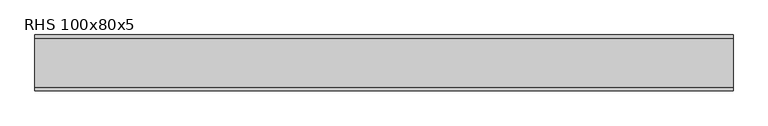
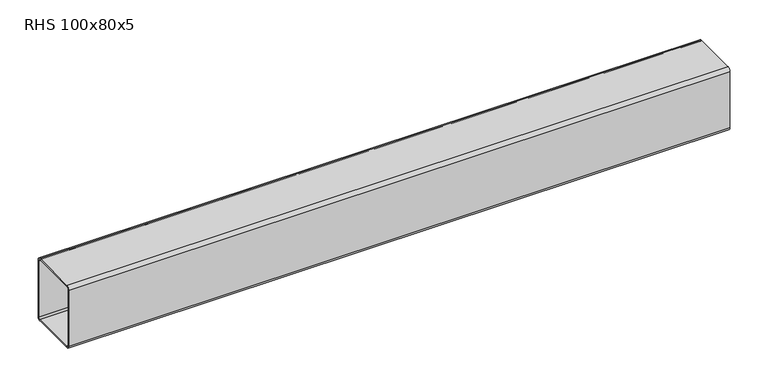
"""IFC4 building model written with IfcOpenShell, lengths in millimetres: beam geometry, RHS 100x80x5."""

import ifcopenshell
import ifcopenshell.guid

model = None  # the IFC model being written
_history = None  # IfcOwnerHistory: only IFC2X3 demands one
_inside = {}  # id of a spatial element -> (the spatial element, [elements in it])
_under = {}  # id of a project, library or spatial element -> (it, [spatial elements below it])
_declared = {}  # id of a project -> (the project, [libraries it declares])
_typed = {}  # id of a type object -> (the type object, [elements of that type])
_made_of = {}  # id of a material, layer set ... -> (it, [elements and type objects made of it])


def new_model(schema):
    """Start an empty IFC model of exactly this schema.

    Asked for "IFC4X3", IfcOpenShell would pick the latest addendum, in which some entities
    have other attributes; the version numbers below select the first issue.
    IFC2X3 requires an IfcOwnerHistory on every rooted entity: one is made here for all.
    """
    global model, _history
    if schema == "IFC4X3":
        model = ifcopenshell.file(schema_version=(4, 3, 0, 0))
    else:
        model = ifcopenshell.file(schema=schema)
    _inside.clear()
    _under.clear()
    _declared.clear()
    _typed.clear()
    _made_of.clear()
    _history = None
    if model.schema == "IFC2X3":
        org = make("IfcOrganization", Name="unknown")
        user = make(
            "IfcPersonAndOrganization",
            ThePerson=make("IfcPerson", FamilyName="unknown"),
            TheOrganization=org,
        )
        app = make(
            "IfcApplication",
            ApplicationDeveloper=org,
            Version="unknown",
            ApplicationFullName="unknown",
            ApplicationIdentifier="unknown",
        )
        _history = make(
            "IfcOwnerHistory",
            OwningUser=user,
            OwningApplication=app,
            ChangeAction="ADDED",
            CreationDate=0,
        )
    return model


def make(cls, **values):
    """One entity of the class cls with the attributes given. An attribute that is None is left unset."""
    return model.create_entity(
        cls, **{name: value for name, value in values.items() if value is not None}
    )


def rooted(cls, **values):
    """An entity with a GlobalId (a new one), such as an element, a storey or a relation."""
    return make(cls, GlobalId=ifcopenshell.guid.new(), OwnerHistory=_history, **values)


def si_unit(unit_type, name, prefix=None):
    """IfcSIUnit, for example si_unit("LENGTHUNIT", "METRE", prefix="MILLI")."""
    return make("IfcSIUnit", UnitType=unit_type, Prefix=prefix, Name=name)


def assignment(units):
    """IfcUnitAssignment: the units of a project."""
    return None if units is None else make("IfcUnitAssignment", Units=units)


def point(xyz):
    """IfcCartesianPoint."""
    return None if xyz is None else make("IfcCartesianPoint", Coordinates=xyz)


def direction(xyz):
    """IfcDirection."""
    return None if xyz is None else make("IfcDirection", DirectionRatios=xyz)


def frame(location, z_axis=None, x_axis=None):
    """IfcAxis2Placement3D, a coordinate frame: its origin and axes. An axis left out is left unset."""
    return make(
        "IfcAxis2Placement3D",
        Location=point(location),
        Axis=direction(z_axis),
        RefDirection=direction(x_axis),
    )


def frame_2d(location, x_axis=None):
    """IfcAxis2Placement2D, a coordinate frame in the plane: its origin and x axis."""
    return make(
        "IfcAxis2Placement2D", Location=point(location), RefDirection=direction(x_axis)
    )


def origin():
    """The frame at (0, 0, 0) with its axes left unset."""
    return frame((0.0, 0.0, 0.0))


def place(relative_to, where):
    """IfcLocalPlacement: puts the frame where relative to a parent placement (None: the world)."""
    return make(
        "IfcLocalPlacement", PlacementRelTo=relative_to, RelativePlacement=where
    )


def context(
    kind, dimensions, precision=None, world=None, true_north=None, identifier=None
):
    """IfcGeometricRepresentationContext, for example the 3D "Model" context."""
    return make(
        "IfcGeometricRepresentationContext",
        ContextIdentifier=identifier,
        ContextType=kind,
        CoordinateSpaceDimension=dimensions,
        Precision=precision,
        WorldCoordinateSystem=world,
        TrueNorth=true_north,
    )


def project(units=None, contexts=None):
    """IfcProject with its units and contexts."""
    return rooted(
        "IfcProject",
        Name="project",
        RepresentationContexts=contexts,
        UnitsInContext=assignment(units),
    )


def spatial(cls, under=None, at=None, **own):
    """A site, building, storey or space (cls), placed at a placement, below another one or the project."""
    s = rooted(cls, ObjectPlacement=at, **own)
    if under is not None:
        _under.setdefault(under.id(), (under, []))[1].append(s)
    return s


def polyline(points):
    """IfcPolyline through the points."""
    return make("IfcPolyline", Points=[point(p) for p in points])


def circle_curve(where, radius):
    """IfcCircle in the frame where."""
    return make("IfcCircle", Position=where, Radius=radius)


def trimmed(basis, trim1, trim2, sense, master):
    """IfcTrimmedCurve: the piece of a basis curve between two trims."""
    return make(
        "IfcTrimmedCurve",
        BasisCurve=basis,
        Trim1=trim1,
        Trim2=trim2,
        SenseAgreement=sense,
        MasterRepresentation=master,
    )


def segment(curve, same_sense, transition):
    """IfcCompositeCurveSegment."""
    return make(
        "IfcCompositeCurveSegment",
        Transition=transition,
        SameSense=same_sense,
        ParentCurve=curve,
    )


def composite_curve(segments, self_intersect=None):
    """IfcCompositeCurve: segments joined end to end."""
    return make("IfcCompositeCurve", Segments=segments, SelfIntersect=self_intersect)


def outline(outer, holes=None, kind="AREA"):
    """IfcArbitraryClosedProfileDef: a profile drawn as a closed curve; with holes, ...WithVoids."""
    if holes is None:
        return make("IfcArbitraryClosedProfileDef", ProfileType=kind, OuterCurve=outer)
    return make(
        "IfcArbitraryProfileDefWithVoids",
        ProfileType=kind,
        OuterCurve=outer,
        InnerCurves=holes,
    )


def extrude(swept, where, along, depth):
    """IfcExtrudedAreaSolid: the profile swept, set in the frame where, extruded along a direction by depth."""
    return make(
        "IfcExtrudedAreaSolid",
        SweptArea=swept,
        Position=where,
        ExtrudedDirection=direction(along),
        Depth=depth,
    )


def shape(context_of_items, identifier, shape_type, items):
    """IfcShapeRepresentation: the items that make up one representation, for example the "Body"."""
    return make(
        "IfcShapeRepresentation",
        ContextOfItems=context_of_items,
        RepresentationIdentifier=identifier,
        RepresentationType=shape_type,
        Items=items,
    )


def source(mapping_origin, context_of_items, identifier, shape_type, items):
    """IfcRepresentationMap: a shape defined once, which mapped items show again and again."""
    return make(
        "IfcRepresentationMap",
        MappingOrigin=mapping_origin,
        MappedRepresentation=shape(context_of_items, identifier, shape_type, items),
    )


def transform(
    local_origin,
    x_axis=None,
    y_axis=None,
    z_axis=None,
    scale=None,
    scale2=None,
    scale3=None,
    uniform=True,
):
    """IfcCartesianTransformationOperator3D, or its non-uniform kind. x_axis, y_axis, z_axis: its Axis1, 2, 3."""
    if uniform:
        return make(
            "IfcCartesianTransformationOperator3D",
            Axis1=direction(x_axis),
            Axis2=direction(y_axis),
            LocalOrigin=point(local_origin),
            Scale=scale,
            Axis3=direction(z_axis),
        )
    return make(
        "IfcCartesianTransformationOperator3DnonUniform",
        Axis1=direction(x_axis),
        Axis2=direction(y_axis),
        LocalOrigin=point(local_origin),
        Scale=scale,
        Axis3=direction(z_axis),
        Scale2=scale2,
        Scale3=scale3,
    )


def mapped(mapping_source, mapping_target):
    """IfcMappedItem: shows the shape of a source again, moved by a transform."""
    return make(
        "IfcMappedItem", MappingSource=mapping_source, MappingTarget=mapping_target
    )


def made_of(thing, what):
    """Note that an element or type object is made of a material, layer set ...; save() writes the relation."""
    if what is not None:
        _made_of.setdefault(what.id(), (what, []))[1].append(thing)
    return thing


def element(
    cls,
    number,
    at=None,
    inside=None,
    cuts=None,
    type_object=None,
    material=None,
    context=None,
    identifier="Body",
    shape_type=None,
    held_by="IfcProductDefinitionShape",
    body=None,
    shapes=None,
    **own,
):
    """One element of the class cls, such as IfcWall. Its Tag is "e" and its number.

    at: its placement. inside: the storey or other place that contains it. cuts: it is an
    opening in that element (IfcRelVoidsElement). A single representation is given by context,
    identifier, shape_type and body (its items); several are given by shapes. held_by: the class
    of the entity that holds the representations. save() writes the other relations.
    """
    e = rooted(cls, Tag="e%d" % number, ObjectPlacement=at, **own)
    if body is not None:
        shapes = [shape(context, identifier, shape_type, body)]
    if shapes is not None:
        e.Representation = make(held_by, Representations=shapes)
    if inside is not None:
        _inside.setdefault(inside.id(), (inside, []))[1].append(e)
    if cuts is not None:
        rooted(
            "IfcRelVoidsElement", RelatingBuildingElement=cuts, RelatedOpeningElement=e
        )
    if type_object is not None:
        _typed.setdefault(type_object.id(), (type_object, []))[1].append(e)
    return made_of(e, material)


def aggregate(whole, parts):
    """IfcRelAggregates: a whole, such as a stair, and the parts it consists of."""
    return rooted("IfcRelAggregates", RelatingObject=whole, RelatedObjects=parts)


def save(model, path):
    """Write the relations noted so far, then the file.

    IfcRelAggregates (storeys below a building ...), IfcRelContainedInSpatialStructure (elements
    in a storey), IfcRelDefinesByType, IfcRelAssociatesMaterial and IfcRelDeclares: one each for
    every whole, place, type object, material and project.
    """
    for whole, parts in _under.values():
        aggregate(whole, parts)
    for where, things in _inside.values():
        rooted(
            "IfcRelContainedInSpatialStructure",
            RelatedElements=things,
            RelatingStructure=where,
        )
    for kind, things in _typed.values():
        rooted("IfcRelDefinesByType", RelatedObjects=things, RelatingType=kind)
    for what, things in _made_of.values():
        rooted("IfcRelAssociatesMaterial", RelatedObjects=things, RelatingMaterial=what)
    for by, libraries in _declared.values():
        rooted("IfcRelDeclares", RelatingContext=by, RelatedDefinitions=libraries)
    model.write(path)


def rhs_100x80x5_9d33a2d5(model_context):
    return source(origin(), model_context, "Body", "SweptSolid", [
        extrude(outline(composite_curve([segment(polyline([(40.0, 45.0), (40.0, -45.0)]), True, "CONTINUOUS"), segment(trimmed(circle_curve(frame_2d((35.0, -45.0)), 5.0), [point((40.0, -45.0))], [point((35.0, -50.0))], False, "CARTESIAN"), True, "CONTINUOUS"), segment(polyline([(35.0, -50.0), (-35.0, -50.0)]), True, "CONTINUOUS"), segment(trimmed(circle_curve(frame_2d((-35.0, -45.0)), 5.0), [point((-35.0, -50.0))], [point((-40.0, -45.0))], False, "CARTESIAN"), True, "CONTINUOUS"), segment(polyline([(-40.0, -45.0), (-40.0, 45.0)]), True, "CONTINUOUS"), segment(trimmed(circle_curve(frame_2d((-35.0, 45.0)), 5.0), [point((-40.0, 45.0))], [point((-35.0, 50.0))], False, "CARTESIAN"), True, "CONTINUOUS"), segment(polyline([(-35.0, 50.0), (35.0, 50.0)]), True, "CONTINUOUS"), segment(trimmed(circle_curve(frame_2d((35.0, 45.0)), 5.0), [point((35.0, 50.0))], [point((40.0, 45.0))], False, "CARTESIAN"), True, "CONTINUOUS")], self_intersect=False), holes=[composite_curve([segment(trimmed(circle_curve(frame_2d((-35.0, 45.0)), 2.5), [point((-35.0, 47.5))], [point((-37.5, 45.0))], True, "CARTESIAN"), True, "CONTINUOUS"), segment(polyline([(-37.5, 45.0), (-37.5, -45.0)]), True, "CONTINUOUS"), segment(trimmed(circle_curve(frame_2d((-35.0, -45.0)), 2.5), [point((-37.5, -45.0))], [point((-35.0, -47.5))], True, "CARTESIAN"), True, "CONTINUOUS"), segment(polyline([(-35.0, -47.5), (35.0, -47.5)]), True, "CONTINUOUS"), segment(trimmed(circle_curve(frame_2d((35.0, -45.0)), 2.5), [point((35.0, -47.5))], [point((37.5, -45.0))], True, "CARTESIAN"), True, "CONTINUOUS"), segment(polyline([(37.5, -45.0), (37.5, 45.0)]), True, "CONTINUOUS"), segment(trimmed(circle_curve(frame_2d((35.0, 45.0)), 2.5), [point((37.5, 45.0))], [point((35.0, 47.5))], True, "CARTESIAN"), True, "CONTINUOUS"), segment(polyline([(35.0, 47.5), (-35.0, 47.5)]), True, "CONTINUOUS")], self_intersect=False)]), frame((-500.5158007, 0.0, 0.0), z_axis=(1.0, 0.0, 0.0), x_axis=(0.0, 1.0, 0.0)), (0.0, 0.0, 1.0), 1001.0316014),
    ])


if __name__ == "__main__":
    model = new_model("IFC4")
    model_context = context("Model", 3, world=origin())
    ifc_project = project(units=[si_unit("LENGTHUNIT", "METRE", prefix="MILLI")], contexts=[model_context])
    site = spatial("IfcSite", under=ifc_project)
    building = spatial("IfcBuilding", under=site)
    placement = place(None, origin())
    rhs_100x80x5_shape = rhs_100x80x5_9d33a2d5(model_context)
    element("IfcBeam", 1, ObjectType="RHS 100x80x5", at=placement, inside=building, context=model_context, shape_type="MappedRepresentation", body=[
        mapped(rhs_100x80x5_shape, transform((0.0, 0.0, 0.0), x_axis=(1.0, 0.0, 0.0), y_axis=(0.0, 1.0, 0.0), z_axis=(0.0, 0.0, 1.0))),
    ])
    save(model, "model.ifc")
